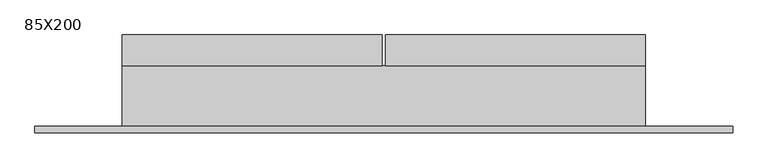
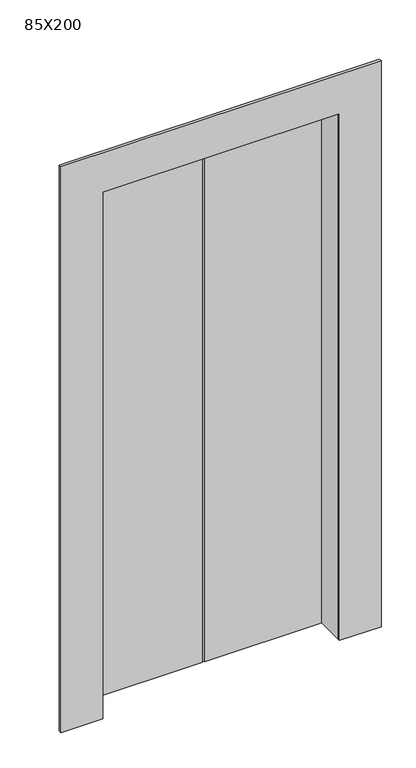
"""IFC4 building model written with IfcOpenShell, lengths in millimetres: proxy geometry, 85X200."""

from ifc_helpers import new_model, si_unit, frame, origin, origin_with_axes, place, context, project, spatial, polyline, outline, extrude, source, transform, mapped, element, save


def proxy_85x200_e296e2fa(model_context):
    return source(origin(), model_context, "Body", "SweptSolid", [
        extrude(outline(polyline([(-102.3106443, 50.0), (-530.4856443, 50.0), (-530.4856443, 100.8), (-102.3106443, 100.8), (-102.3106443, 50.0)])), origin_with_axes(), (0.0, 0.0, 1.0), 2025.4),
        extrude(outline(polyline([(332.2143557, 50.0), (-95.9606443, 50.0), (-95.9606443, 100.8), (332.2143557, 100.8), (332.2143557, 50.0)])), origin_with_axes(), (0.0, 0.0, 1.0), 2025.4),
        extrude(outline(polyline([(0.0, -530.4856443), (0.0, -524.1356443), (2000.0, -524.1356443), (2000.0, 325.8643557), (0.0, 325.8643557), (0.0, 332.2143557), (2025.4, 332.2143557), (2025.4, -530.4856443), (0.0, -530.4856443)])), frame((0.0, -50.0, 0.0), z_axis=(0.0, 1.0, 0.0), x_axis=(0.0, 0.0, 1.0)), (0.0, 0.0, 1.0), 100.0),
        extrude(outline(polyline([(0.0, -674.1356443), (0.0, -524.1356443), (2000.0, -524.1356443), (2000.0, 325.8643557), (0.0, 325.8643557), (0.0, 475.8643557), (2150.0, 475.8643557), (2150.0, -674.1356443), (0.0, -674.1356443)])), frame((0.0, -60.0, 0.0), z_axis=(0.0, 1.0, 0.0), x_axis=(0.0, 0.0, 1.0)), (0.0, 0.0, 1.0), 10.0),
    ])


if __name__ == "__main__":
    model = new_model("IFC4")
    model_context = context("Model", 3, world=origin())
    ifc_project = project(units=[si_unit("LENGTHUNIT", "METRE", prefix="MILLI")], contexts=[model_context])
    site = spatial("IfcSite", under=ifc_project)
    building = spatial("IfcBuilding", under=site)
    placement = place(None, origin())
    proxy_85x200_shape = proxy_85x200_e296e2fa(model_context)
    element("IfcBuildingElementProxy", 1, Name="85X200", ObjectType="85X200", at=placement, inside=building, context=model_context, shape_type="MappedRepresentation", body=[
        mapped(proxy_85x200_shape, transform((0.0, 0.0, 0.0), x_axis=(1.0, 0.0, 0.0), y_axis=(0.0, 1.0, 0.0), z_axis=(0.0, 0.0, 1.0))),
    ])
    save(model, "model.ifc")
